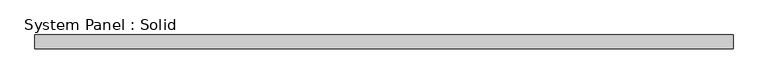
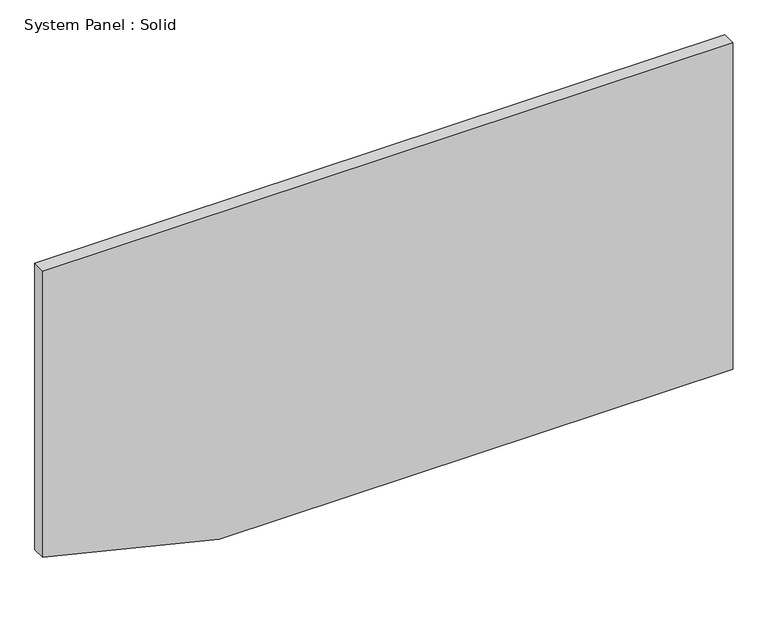
"""IFC4 building model written with IfcOpenShell, lengths in millimetres: plate geometry, System Panel : Solid."""

from ifc_helpers import new_model, si_unit, frame, origin, place, context, project, spatial, polyline, outline, extrude, source, transform, mapped, element, save


def system_panel_solid_2c89be1b(model_context):
    return source(origin(), model_context, "Body", "SweptSolid", [
        extrude(outline(polyline([(0.0, -733.0851857), (0.0, 1500.0), (1500.0, 1500.0), (1500.0, -1500.0), (185.2994056, -1500.0), (0.0, -733.0851857)])), frame((0.0, -10.5, 0.0), z_axis=(0.0, 1.0, 0.0), x_axis=(0.0, 0.0, 1.0)), (0.0, 0.0, 1.0), 60.0),
    ])


if __name__ == "__main__":
    model = new_model("IFC4")
    model_context = context("Model", 3, world=origin())
    ifc_project = project(units=[si_unit("LENGTHUNIT", "METRE", prefix="MILLI")], contexts=[model_context])
    site = spatial("IfcSite", under=ifc_project)
    building = spatial("IfcBuilding", under=site)
    placement = place(None, origin())
    system_panel_solid_shape = system_panel_solid_2c89be1b(model_context)
    element("IfcPlate", 1, ObjectType="System Panel : Solid", at=placement, inside=building, context=model_context, shape_type="MappedRepresentation", body=[
        mapped(system_panel_solid_shape, transform((0.0, 0.0, 0.0), x_axis=(1.0, 0.0, 0.0), y_axis=(0.0, 1.0, 0.0), z_axis=(0.0, 0.0, 1.0))),
    ])
    save(model, "model.ifc")
